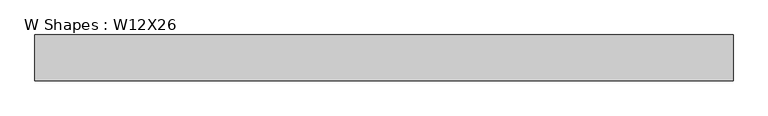
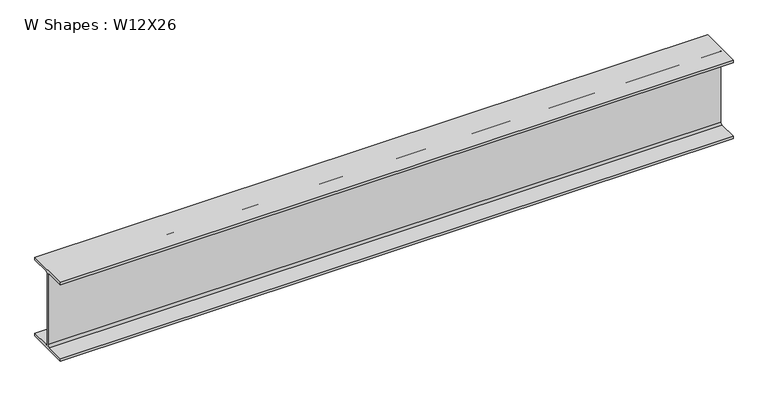
"""IFC4 building model written with IfcOpenShell, lengths in millimetres: beam geometry, W Shapes : W12X26."""

from ifc_helpers import new_model, si_unit, point, frame, frame_2d, origin, place, context, project, spatial, polyline, circle_curve, trimmed, segment, composite_curve, outline, extrude, source, transform, mapped, element, save


def w_shapes_w12x26_55d035bc(model_context):
    return source(origin(), model_context, "Body", "SweptSolid", [
        extrude(outline(composite_curve([segment(polyline([(82.423, -145.288), (82.423, -154.94), (-82.423, -154.94), (-82.423, -145.288), (-10.541, -145.288)]), True, "CONTINUOUS"), segment(trimmed(circle_curve(frame_2d((-10.541, -137.668)), 7.62), [point((-10.541, -145.288))], [point((-2.921, -137.668))], True, "CARTESIAN"), True, "CONTINUOUS"), segment(polyline([(-2.921, -137.668), (-2.921, 137.668)]), True, "CONTINUOUS"), segment(trimmed(circle_curve(frame_2d((-10.541, 137.668)), 7.62), [point((-2.921, 137.668))], [point((-10.541, 145.288))], True, "CARTESIAN"), True, "CONTINUOUS"), segment(polyline([(-10.541, 145.288), (-82.423, 145.288), (-82.423, 154.94), (82.423, 154.94), (82.423, 145.288), (10.541, 145.288)]), True, "CONTINUOUS"), segment(trimmed(circle_curve(frame_2d((10.541, 137.668)), 7.62), [point((10.541, 145.288))], [point((2.921, 137.668))], True, "CARTESIAN"), True, "CONTINUOUS"), segment(polyline([(2.921, 137.668), (2.921, -137.668)]), True, "CONTINUOUS"), segment(trimmed(circle_curve(frame_2d((10.541, -137.668)), 7.62), [point((2.921, -137.668))], [point((10.541, -145.288))], True, "CARTESIAN"), True, "CONTINUOUS"), segment(polyline([(10.541, -145.288), (82.423, -145.288)]), True, "CONTINUOUS")], self_intersect=False)), frame((-1255.6862414, 0.0, 0.0), z_axis=(1.0, 0.0, 0.0), x_axis=(0.0, 1.0, 0.0)), (0.0, 0.0, 1.0), 2511.3724828),
    ])


if __name__ == "__main__":
    model = new_model("IFC4")
    model_context = context("Model", 3, world=origin())
    ifc_project = project(units=[si_unit("LENGTHUNIT", "METRE", prefix="MILLI")], contexts=[model_context])
    site = spatial("IfcSite", under=ifc_project)
    building = spatial("IfcBuilding", under=site)
    placement = place(None, origin())
    w_shapes_w12x26_shape = w_shapes_w12x26_55d035bc(model_context)
    element("IfcBeam", 1, ObjectType="W Shapes : W12X26", at=placement, inside=building, context=model_context, shape_type="MappedRepresentation", body=[
        mapped(w_shapes_w12x26_shape, transform((0.0, 0.0, 0.0), x_axis=(1.0, 0.0, 0.0), y_axis=(0.0, 1.0, 0.0), z_axis=(0.0, 0.0, 1.0))),
    ])
    save(model, "model.ifc")
